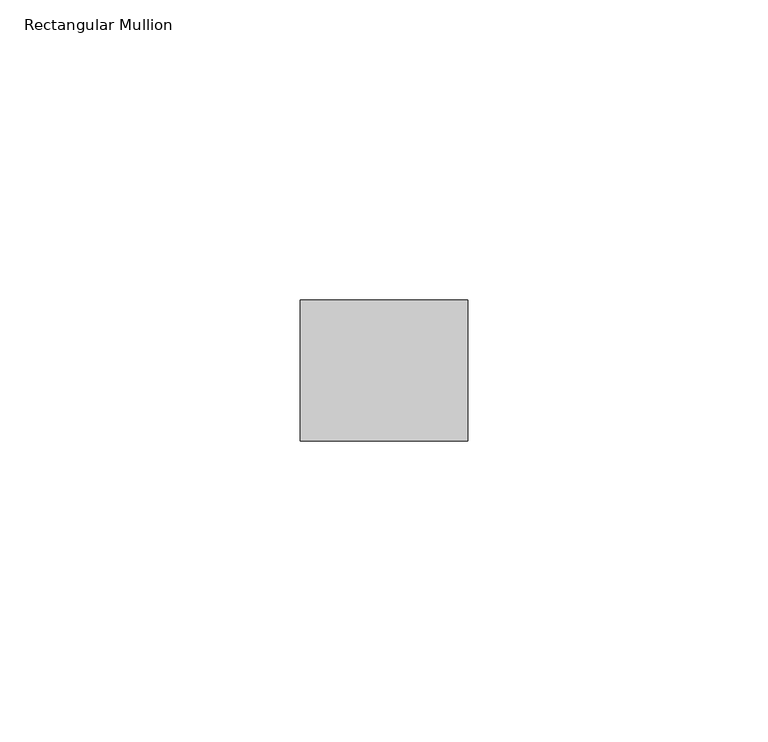
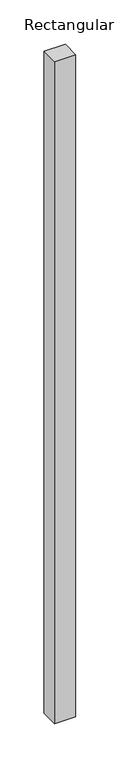
"""IFC4 building model written with IfcOpenShell, lengths in millimetres: member geometry, Rectangular Mullion."""

from ifc_helpers import new_model, si_unit, frame, origin, place, context, project, spatial, polyline, outline, extrude, source, transform, mapped, element, save


def rectangular_mullion_da0288f4(model_context):
    return source(origin(), model_context, "Body", "SweptSolid", [
        extrude(outline(polyline([(0.0, -11.7474999), (-27.94, -11.7474999), (-27.94, 11.7474999), (0.0, 11.7474999), (0.0, -11.7474999)])), frame((0.0, 0.0, -914.4), z_axis=(0.0, 0.0, 1.0), x_axis=(1.0, 0.0, 0.0)), (0.0, 0.0, 1.0), 914.4),
    ])


if __name__ == "__main__":
    model = new_model("IFC4")
    model_context = context("Model", 3, world=origin())
    ifc_project = project(units=[si_unit("LENGTHUNIT", "METRE", prefix="MILLI")], contexts=[model_context])
    site = spatial("IfcSite", under=ifc_project)
    building = spatial("IfcBuilding", under=site)
    placement = place(None, origin())
    rectangular_mullion_shape = rectangular_mullion_da0288f4(model_context)
    element("IfcMember", 1, ObjectType="Rectangular Mullion", at=placement, inside=building, context=model_context, shape_type="MappedRepresentation", body=[
        mapped(rectangular_mullion_shape, transform((0.0, 0.0, 0.0), x_axis=(1.0, 0.0, 0.0), y_axis=(0.0, 1.0, 0.0), z_axis=(0.0, 0.0, 1.0))),
    ])
    save(model, "model.ifc")
